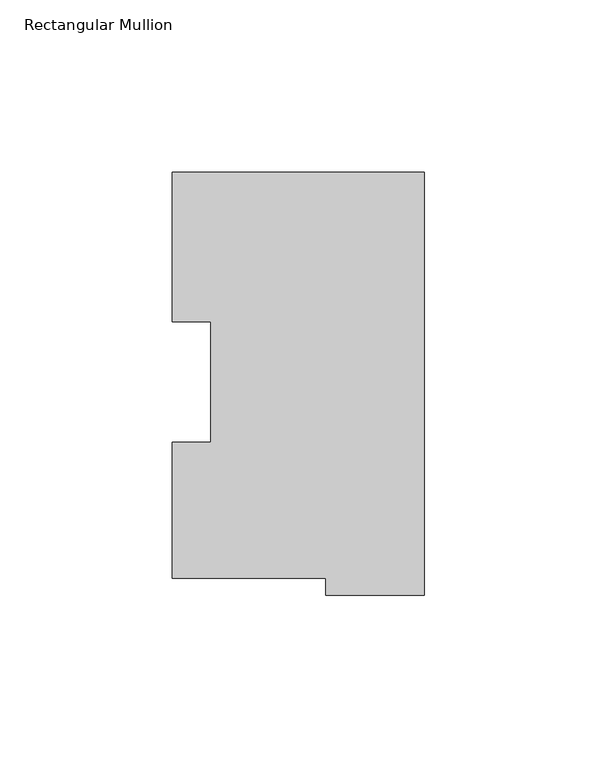
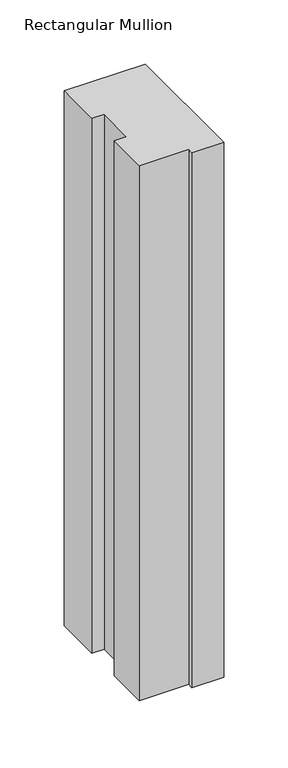
"""IFC4 building model written with IfcOpenShell, lengths in millimetres: member geometry, Rectangular Mullion."""

from ifc_helpers import new_model, si_unit, frame, origin, place, context, project, spatial, polyline, outline, extrude, source, transform, mapped, element, save


def rectangular_mullion_e1a7af80(model_context):
    return source(origin(), model_context, "Body", "SweptSolid", [
        extrude(outline(polyline([(-73.025, 117.827425), (0.0, 117.827425), (0.0, -4.778375), (-28.575, -4.778375), (-28.575, 0.225425), (-73.025, 0.225425), (-73.025, 39.646225), (-61.9252, 39.646225), (-61.9252, 74.596625), (-73.025, 74.596625), (-73.025, 117.827425)])), frame((0.0, 0.0, -509.9062991), z_axis=(0.0, 0.0, 1.0), x_axis=(1.0, 0.0, 0.0)), (0.0, 0.0, 1.0), 509.9062991),
    ])


if __name__ == "__main__":
    model = new_model("IFC4")
    model_context = context("Model", 3, world=origin())
    ifc_project = project(units=[si_unit("LENGTHUNIT", "METRE", prefix="MILLI")], contexts=[model_context])
    site = spatial("IfcSite", under=ifc_project)
    building = spatial("IfcBuilding", under=site)
    placement = place(None, origin())
    rectangular_mullion_shape = rectangular_mullion_e1a7af80(model_context)
    element("IfcMember", 1, ObjectType="Rectangular Mullion", at=placement, inside=building, context=model_context, shape_type="MappedRepresentation", body=[
        mapped(rectangular_mullion_shape, transform((0.0, 0.0, 0.0), x_axis=(1.0, 0.0, 0.0), y_axis=(0.0, 1.0, 0.0), z_axis=(0.0, 0.0, 1.0))),
    ])
    save(model, "model.ifc")
